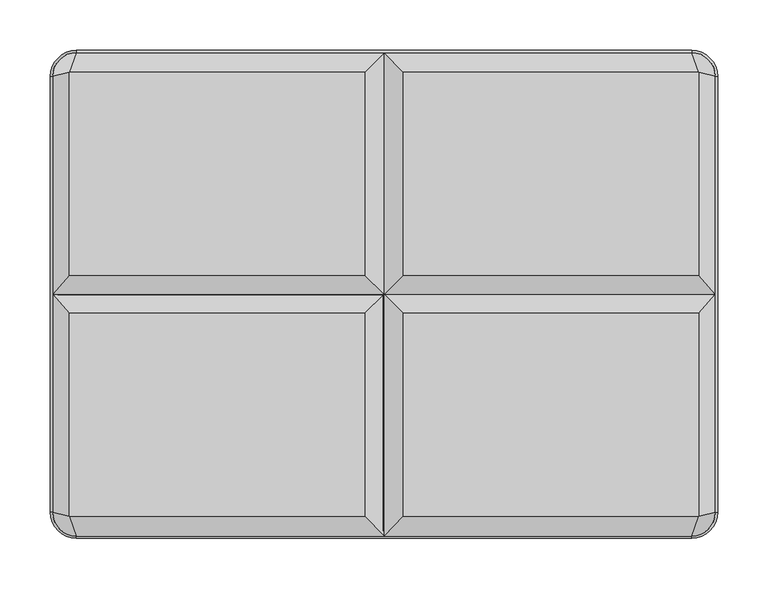
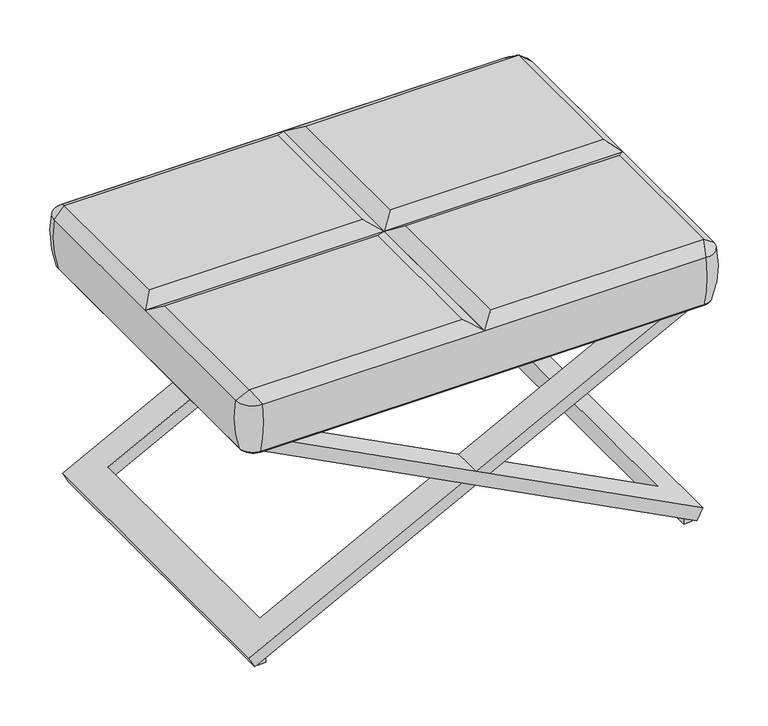
"""IFC4 building model written with IfcOpenShell, lengths in millimetres: furniture geometry."""

from ifc_helpers import new_model, si_unit, point, frame, frame_2d, origin, origin_with_axes, place, context, project, spatial, polyline, circle_curve, ellipse_curve, trimmed, segment, composite_curve, outline, extrude, source, transform, mapped, element, save
from ifc_brep_helpers import plane_surface, cylinder_surface, revolved_surface, spline_surface, advanced_brep


def furniture_a0ac0da4(model_context):
    return source(origin(), model_context, "Body", "SolidModel", [
        extrude(outline(polyline([(-287.131461, -174.2889794), (-287.1317089, -215.8976508), (-298.2729752, -215.8975844), (-298.2727274, -174.2889131), (-287.131461, -174.2889794)])), origin_with_axes(), (0.0, 0.0, 1.0), 7.7247),
        extrude(outline(polyline([(-287.1291003, 222.0715584), (-287.1293486, 180.3885104), (-298.2706149, 180.3885767), (-298.2703667, 222.0716247), (-287.1291003, 222.0715584)])), origin_with_axes(), (0.0, 0.0, 1.0), 7.7247),
        advanced_brep(
        [(311.9583058, 18.8416801, 407.5367087), (311.9583058, 219.9661013, 407.5367087), (19.3028484, 219.9661013, 407.5367087), (19.3028484, 18.8416801, 407.5367087), (328.2941752, 0.0, 395.2066956), (0.0, 0.0, 395.2066956), (0.0, 239.4837856, 395.2066956), (304.8, 239.4837856, 395.2066956), (328.2941752, 215.9896104, 395.2066956)],
        [
            (0, 1),
            (1, 2),
            (2, 3),
            (3, 0),
            (4, 5),
            (5, 6),
            (6, 7),
            (7, 8, circle_curve(frame((304.8, 215.9896104, 395.2066956), z_axis=(0.0, 0.0, -1.0), x_axis=(1.0, 0.0, 0.0)), 23.4941752)),
            (8, 4),
            (8, 1),
            (0, 4),
            (7, 1),
            (6, 2),
            (5, 3),
        ],
        [
            plane_surface(frame((165.6305771, 119.4038907, 407.5367087), z_axis=(0.0, 0.0, 1.0), x_axis=(1.0, 0.0, 0.0))),
            plane_surface(frame((192.2776701, 138.9914363, 395.2066956), z_axis=(0.0, 0.0, -1.0), x_axis=(1.0, 0.0, 0.0))),
            plane_surface(frame((328.2941752, 107.9948052, 395.2066956), z_axis=(0.6024397465176359, 0.0, 0.7981643639099447), x_axis=(0.0, 1.0, 0.0))),
            spline_surface(2, 1, [[(328.2941752, 215.9896104, 395.2066956), (311.9583058, 219.9661013, 407.5367087)], [(328.2941751999999, 239.48378559999998, 395.2066956), (311.9583058, 219.9661013, 407.5367087)], [(304.8, 239.4837856, 395.2066956), (311.9583058, 219.9661013, 407.5367087)]], [3, 3], [2, 2], [0.0, 1.0], [0.0, 1.0], weights=[[1.0, 1.0], [0.707106781186548, 0.707106781186548], [1.0, 1.0]]),
            plane_surface(frame((152.4, 239.4837856, 395.2066956), z_axis=(0.0, 0.5340875705813108, 0.8454291614029844), x_axis=(-1.0, 0.0, 0.0))),
            plane_surface(frame((0.0, 119.7418928, 395.2066956), z_axis=(-0.5383160337471534, 0.0, 0.8427430496958925), x_axis=(0.0, -1.0, 0.0))),
            plane_surface(frame((164.1470876, 0.0, 395.2066956), z_axis=(0.0, -0.5475745130213147, 0.8367569256895757), x_axis=(1.0, 0.0, 0.0))),
        ],
        [
            (0, [[1, 2, 3, 4]]),
            (1, [[5, 6, 7, 8, 9]]),
            (2, [[-9, 10, -1, 11]]),
            (3, [[-8, 12, -10]]),
            (4, [[-7, 13, -2, -12]]),
            (5, [[-6, 14, -3, -13]]),
            (6, [[-5, -11, -4, -14]]),
        ],
    ),
        advanced_brep(
        [(311.9583058, -18.8416801, 407.5367087), (19.3028484, -18.8416801, 407.5367087), (19.3028484, -219.9661013, 407.5367087), (311.9583058, -219.9661013, 407.5367087), (328.2941752, 0.0, 395.2066956), (328.2941752, -215.9, 395.2066956), (304.8, -239.3941752, 395.2066956), (0.0, -239.3941752, 395.2066956), (0.0, 0.0, 395.2066956)],
        [
            (0, 1),
            (1, 2),
            (2, 3),
            (3, 0),
            (4, 5),
            (5, 6, circle_curve(frame((304.8, -215.9, 395.2066956), z_axis=(0.0, 0.0, -1.0), x_axis=(1.0, 0.0, 0.0)), 23.4941752)),
            (6, 7),
            (7, 8),
            (8, 4),
            (4, 0),
            (3, 5),
            (3, 6),
            (2, 7),
            (1, 8),
        ],
        [
            plane_surface(frame((165.6305771, -119.4038907, 407.5367087), z_axis=(0.0, 0.0, 1.0), x_axis=(0.0, -1.0, 0.0))),
            plane_surface(frame((192.2776701, -138.9376701, 395.2066956), z_axis=(0.0, 0.0, -1.0), x_axis=(0.0, -1.0, 0.0))),
            plane_surface(frame((328.2941752, -107.95, 395.2066956), z_axis=(0.602439746517636, 0.0, 0.7981643639099447), x_axis=(0.0, 1.0, 0.0))),
            spline_surface(2, 1, [[(304.8, -239.3941752, 395.2066956), (311.9583058, -219.9661013, 407.5367087)], [(328.29417520000004, -239.39417520000003, 395.2066956), (311.9583058, -219.9661013, 407.5367087)], [(328.2941752, -215.9, 395.2066956), (311.9583058, -219.9661013, 407.5367087)]], [3, 3], [2, 2], [0.0, 1.0], [0.0, 1.0], weights=[[1.0, 1.0], [0.7071067811865471, 0.7071067811865471], [1.0, 1.0]]),
            plane_surface(frame((152.4, -239.3941752, 395.2066956), z_axis=(0.0, -0.5358448397378602, 0.8443164736793349), x_axis=(1.0, 0.0, 0.0))),
            plane_surface(frame((0.0, -119.6970876, 395.2066956), z_axis=(-0.5383160337471535, 0.0, 0.8427430496958925), x_axis=(0.0, -1.0, 0.0))),
            plane_surface(frame((164.1470876, 0.0, 395.2066956), z_axis=(0.0, 0.5475745130213147, 0.8367569256895757), x_axis=(-1.0, 0.0, 0.0))),
        ],
        [
            (0, [[1, 2, 3, 4]]),
            (1, [[5, 6, 7, 8, 9]]),
            (2, [[-5, 10, -4, 11]]),
            (3, [[-6, -11, 12]]),
            (4, [[-7, -12, -3, 13]]),
            (5, [[-8, -13, -2, 14]]),
            (6, [[-9, -14, -1, -10]]),
        ],
    ),
        advanced_brep(
        [(-311.9583058, 18.8416801, 407.5367087), (-19.3028484, 18.8416801, 407.5367087), (-19.3028484, 219.9661013, 407.5367087), (-311.9583058, 219.9661013, 407.5367087), (-328.2941752, 0.0, 395.2066956), (-328.2941752, 215.9896104, 395.2066956), (-304.8, 239.4837856, 395.2066956), (0.0, 239.4837856, 395.2066956), (0.0, 0.0, 395.2066956)],
        [
            (0, 1),
            (1, 2),
            (2, 3),
            (3, 0),
            (4, 5),
            (5, 6, circle_curve(frame((-304.8, 215.9896104, 395.2066956), z_axis=(0.0, 0.0, -1.0), x_axis=(-1.0, 0.0, 0.0)), 23.4941752)),
            (6, 7),
            (7, 8),
            (8, 4),
            (4, 0),
            (3, 5),
            (3, 6),
            (2, 7),
            (1, 8),
        ],
        [
            plane_surface(frame((-165.6305771, 119.4038907, 407.5367087), z_axis=(0.0, 0.0, 1.0), x_axis=(0.0, 1.0, 0.0))),
            plane_surface(frame((-192.2776701, 138.9914363, 395.2066956), z_axis=(0.0, 0.0, -1.0), x_axis=(0.0, 1.0, 0.0))),
            plane_surface(frame((-328.2941752, 107.9948052, 395.2066956), z_axis=(-0.6024397465176181, 0.0, 0.7981643639099583), x_axis=(0.0, -1.0, 0.0))),
            spline_surface(2, 1, [[(-304.8, 239.4837856, 395.2066956), (-311.9583058, 219.9661013, 407.5367087)], [(-328.29417520000004, 239.48378560000003, 395.2066956), (-311.9583058, 219.9661013, 407.5367087)], [(-328.2941752, 215.9896104, 395.2066956), (-311.9583058, 219.9661013, 407.5367087)]], [3, 3], [2, 2], [0.0, 1.0], [0.0, 1.0], weights=[[1.0, 1.0], [0.7071067811865471, 0.7071067811865471], [1.0, 1.0]]),
            plane_surface(frame((-152.4, 239.4837856, 395.2066956), z_axis=(0.0, 0.5340875705813121, 0.8454291614029836), x_axis=(-1.0, 0.0, 0.0))),
            plane_surface(frame((0.0, 119.7418928, 395.2066956), z_axis=(0.5383160337471717, 0.0, 0.8427430496958809), x_axis=(0.0, 1.0, 0.0))),
            plane_surface(frame((-164.1470876, 0.0, 395.2066956), z_axis=(0.0, -0.5475745130213134, 0.8367569256895766), x_axis=(1.0, 0.0, 0.0))),
        ],
        [
            (0, [[1, 2, 3, 4]]),
            (1, [[5, 6, 7, 8, 9]]),
            (2, [[-5, 10, -4, 11]]),
            (3, [[-6, -11, 12]]),
            (4, [[-7, -12, -3, 13]]),
            (5, [[-8, -13, -2, 14]]),
            (6, [[-9, -14, -1, -10]]),
        ],
    ),
        extrude(outline(composite_curve([segment(polyline([(-304.8, 234.1068246), (304.8, 234.1068246)]), True, "CONTINUOUS"), segment(trimmed(circle_curve(frame_2d((304.8, 215.9896104)), 18.1172142), [point((304.8, 234.1068246))], [point((322.9172142, 215.9896104))], False, "CARTESIAN"), True, "CONTINUOUS"), segment(polyline([(322.9172142, 215.9896104), (322.9172142, -215.9)]), True, "CONTINUOUS"), segment(trimmed(circle_curve(frame_2d((304.8, -215.9)), 18.1172142), [point((322.9172142, -215.9))], [point((304.8, -234.0172142))], False, "CARTESIAN"), True, "CONTINUOUS"), segment(polyline([(304.8, -234.0172142), (-304.8, -234.0172142)]), True, "CONTINUOUS"), segment(trimmed(circle_curve(frame_2d((-304.8, -215.9)), 18.1172142), [point((-304.8, -234.0172142))], [point((-322.9172142, -215.9))], False, "CARTESIAN"), True, "CONTINUOUS"), segment(polyline([(-322.9172142, -215.9), (-322.9172142, 215.9896104)]), True, "CONTINUOUS"), segment(trimmed(circle_curve(frame_2d((-304.8, 215.9896104)), 18.1172142), [point((-322.9172142, 215.9896104))], [point((-304.8, 234.1068246))], False, "CARTESIAN"), True, "CONTINUOUS")], self_intersect=False)), frame((0.0, 0.0, 322.8652854), z_axis=(0.0, 0.0, 1.0), x_axis=(1.0, 0.0, 0.0)), (0.0, 0.0, 1.0), 72.3414102),
        extrude(outline(polyline([(-40.855101, -1e-07), (0.0, 0.0), (0.0, -654.7424662), (361.0531067, -654.7424662), (361.0531067, -0.0553014), (401.9082075, -0.0553014), (401.9082075, -697.8978728), (-40.855101, -697.8978728), (-40.855101, -1e-07)])), frame((-315.5640516, -177.4389789, 322.8726735), z_axis=(0.46174861322686334, 5.956068016368192e-06, 0.8870108331624784), x_axis=(-2.7502061487590705e-06, 0.9999999999822627, -5.283096852692739e-06)), (0.0, 0.0, 1.0), 17.5758983),
        extrude(outline(polyline([(287.1317089, -215.8976508), (287.131461, -174.2889794), (298.2727274, -174.2889131), (298.2729752, -215.8975844), (287.1317089, -215.8976508)])), origin_with_axes(), (0.0, 0.0, 1.0), 7.7247),
        extrude(outline(polyline([(287.1293486, 180.3885104), (287.1291003, 222.0715584), (298.2703667, 222.0716247), (298.2706149, 180.3885767), (287.1293486, 180.3885104)])), origin_with_axes(), (0.0, 0.0, 1.0), 7.7247),
        extrude(outline(polyline([(-248.9921224, 0.0), (449.6096669, 0.0), (449.6096669, -442.7633085), (-248.8092809, -442.7633085), (-248.8092809, -401.9082077), (406.4542603, -401.9082077), (406.4542603, -40.855101), (-248.9921225, -40.855101), (-248.9921224, 0.0)])), frame((95.3296108, -218.2940799, 208.2261546), z_axis=(-0.4617486132268388, 5.956068016368191e-06, 0.8870108331624911), x_axis=(-0.8870108331782243, 0.0, -0.461748613235029)), (0.0, 0.0, 1.0), 17.5758983),
        advanced_brep(
        [(-311.9583058, -18.8416801, 407.5367087), (-311.9583058, -219.9661013, 407.5367087), (-19.3028484, -219.9661013, 407.5367087), (-19.3028484, -18.8416801, 407.5367087), (-328.2941752, 0.0, 395.2066956), (0.0, 0.0, 395.2066956), (0.0, -239.3941752, 395.2066956), (-304.8, -239.3941752, 395.2066956), (-328.2941752, -215.9, 395.2066956)],
        [
            (0, 1),
            (1, 2),
            (2, 3),
            (3, 0),
            (4, 5),
            (5, 6),
            (6, 7),
            (7, 8, circle_curve(frame((-304.8, -215.9, 395.2066956), z_axis=(0.0, 0.0, -1.0), x_axis=(-1.0, 0.0, 0.0)), 23.4941752)),
            (8, 4),
            (8, 1),
            (0, 4),
            (7, 1),
            (6, 2),
            (5, 3),
        ],
        [
            plane_surface(frame((-165.6305771, -119.4038907, 407.5367087), z_axis=(0.0, 0.0, 1.0), x_axis=(-1.0, 0.0, 0.0))),
            plane_surface(frame((-192.2776701, -138.9376701, 395.2066956), z_axis=(0.0, 0.0, -1.0), x_axis=(-1.0, 0.0, 0.0))),
            plane_surface(frame((-328.2941752, -107.95, 395.2066956), z_axis=(-0.6024397465176181, 0.0, 0.7981643639099583), x_axis=(0.0, -1.0, 0.0))),
            spline_surface(2, 1, [[(-328.2941752, -215.9, 395.2066956), (-311.9583058, -219.9661013, 407.5367087)], [(-328.2941751999999, -239.39417519999998, 395.2066956), (-311.9583058, -219.9661013, 407.5367087)], [(-304.8, -239.3941752, 395.2066956), (-311.9583058, -219.9661013, 407.5367087)]], [3, 3], [2, 2], [0.0, 1.0], [0.0, 1.0], weights=[[1.0, 1.0], [0.707106781186548, 0.707106781186548], [1.0, 1.0]]),
            plane_surface(frame((-152.4, -239.3941752, 395.2066956), z_axis=(0.0, -0.5358448397378615, 0.8443164736793342), x_axis=(1.0, 0.0, 0.0))),
            plane_surface(frame((0.0, -119.6970876, 395.2066956), z_axis=(0.5383160337471717, 0.0, 0.8427430496958809), x_axis=(0.0, 1.0, 0.0))),
            plane_surface(frame((-164.1470876, 0.0, 395.2066956), z_axis=(0.0, 0.5475745130213134, 0.8367569256895765), x_axis=(-1.0, 0.0, 0.0))),
        ],
        [
            (0, [[1, 2, 3, 4]]),
            (1, [[5, 6, 7, 8, 9]]),
            (2, [[-9, 10, -1, 11]]),
            (3, [[-8, 12, -10]]),
            (4, [[-7, 13, -2, -12]]),
            (5, [[-6, 14, -3, -13]]),
            (6, [[-5, -11, -4, -14]]),
        ],
    ),
        advanced_brep(
        [(-304.8, 234.1840261, 322.8652854), (-322.9944157, 215.9896104, 322.8652854), (-328.2941752, 215.9896104, 395.2066956), (-304.8, 239.4837856, 395.2066956), (-304.8, 234.1068246, 395.2066956), (-322.9172142, 215.9896104, 395.2066956), (304.8, 239.4837856, 395.2066956), (304.8, 234.1840261, 322.8652854), (304.8, 234.1068246, 395.2066956), (322.9944157, 215.9896104, 322.8652854), (328.2941752, 215.9896104, 395.2066956), (322.9172142, 215.9896104, 395.2066956), (328.2941752, -215.9, 395.2066956), (322.9944157, -215.9, 322.8652854), (322.9172142, -215.9, 395.2066956), (304.8, -234.0944157, 322.8652854), (304.8, -239.3941752, 395.2066956), (304.8, -234.0172142, 395.2066956), (-304.8, -239.3941752, 395.2066956), (-304.8, -234.0944157, 322.8652854), (-304.8, -234.0172142, 395.2066956), (-322.9944157, -215.9, 322.8652854), (-328.2941752, -215.9, 395.2066956), (-322.9172142, -215.9, 395.2066956)],
        [
            (0, 1, circle_curve(frame((-304.8, 215.9896104, 322.8652854), z_axis=(0.0, 0.0, 1.0), x_axis=(-1.0, 0.0, 0.0)), 18.1944157)),
            (1, 2, circle_curve(frame((-176.1105149, 215.9896104, 369.9908927), z_axis=(0.0, 1.0, 0.0), x_axis=(-1.0, 0.0, 0.0)), 154.2585595)),
            (2, 3, circle_curve(frame((-304.8, 215.9896104, 395.2066956), z_axis=(0.0, 0.0, -1.0), x_axis=(-1.0, 0.0, 0.0)), 23.4941752)),
            (3, 0, circle_curve(frame((-304.8, 87.3001253, 369.9908927), z_axis=(-1.0, 0.0, 0.0), x_axis=(0.0, 1.0, 0.0)), 154.2585595)),
            (4, 5, circle_curve(frame((-304.8, 215.9896104, 395.2066956), z_axis=(0.0, 0.0, 1.0), x_axis=(-1.0, 0.0, 0.0)), 18.1172142)),
            (5, 1),
            (0, 4),
            (3, 6),
            (6, 7, circle_curve(frame((304.8, 87.3001253, 369.9908927), z_axis=(-1.0, 0.0, 0.0), x_axis=(0.0, 1.0, 0.0)), 154.2585595)),
            (7, 0),
            (7, 8),
            (8, 4),
            (9, 7, circle_curve(frame((304.8, 215.9896104, 322.8652854), z_axis=(0.0, 0.0, 1.0), x_axis=(0.0, 1.0, 0.0)), 18.1944157)),
            (6, 10, circle_curve(frame((304.8, 215.9896104, 395.2066956), z_axis=(0.0, 0.0, -1.0), x_axis=(0.0, 1.0, 0.0)), 23.4941752)),
            (10, 9, circle_curve(frame((176.1105149, 215.9896104, 369.9908927), z_axis=(0.0, 1.0, 0.0), x_axis=(1.0, 0.0, 0.0)), 154.2585595)),
            (11, 8, circle_curve(frame((304.8, 215.9896104, 395.2066956), z_axis=(0.0, 0.0, 1.0), x_axis=(0.0, 1.0, 0.0)), 18.1172142)),
            (9, 11),
            (10, 12),
            (12, 13, circle_curve(frame((176.1105149, -215.9, 369.9908927), z_axis=(0.0, 1.0, 0.0), x_axis=(1.0, 0.0, 0.0)), 154.2585595)),
            (13, 9),
            (13, 14),
            (14, 11),
            (15, 13, circle_curve(frame((304.8, -215.9, 322.8652854), z_axis=(0.0, 0.0, 1.0), x_axis=(1.0, 0.0, 0.0)), 18.1944157)),
            (12, 16, circle_curve(frame((304.8, -215.9, 395.2066956), z_axis=(0.0, 0.0, -1.0), x_axis=(1.0, 0.0, 0.0)), 23.4941752)),
            (16, 15, circle_curve(frame((304.8, -87.2105149, 369.9908927), z_axis=(1.0, 0.0, 0.0), x_axis=(0.0, -1.0, 0.0)), 154.2585595)),
            (17, 14, circle_curve(frame((304.8, -215.9, 395.2066956), z_axis=(0.0, 0.0, 1.0), x_axis=(1.0, 0.0, 0.0)), 18.1172142)),
            (15, 17),
            (16, 18),
            (18, 19, circle_curve(frame((-304.8, -87.2105149, 369.9908927), z_axis=(1.0, 0.0, 0.0), x_axis=(0.0, -1.0, 0.0)), 154.2585595)),
            (19, 15),
            (19, 20),
            (20, 17),
            (21, 19, circle_curve(frame((-304.8, -215.9, 322.8652854), z_axis=(0.0, 0.0, 1.0), x_axis=(0.0, -1.0, 0.0)), 18.1944157)),
            (18, 22, circle_curve(frame((-304.8, -215.9, 395.2066956), z_axis=(0.0, 0.0, -1.0), x_axis=(0.0, -1.0, 0.0)), 23.4941752)),
            (22, 21, circle_curve(frame((-176.1105149, -215.9, 369.9908927), z_axis=(0.0, -1.0, 0.0), x_axis=(-1.0, 0.0, 0.0)), 154.2585595)),
            (23, 20, circle_curve(frame((-304.8, -215.9, 395.2066956), z_axis=(0.0, 0.0, 1.0), x_axis=(0.0, -1.0, 0.0)), 18.1172142)),
            (21, 23),
            (22, 2),
            (1, 21),
            (5, 23),
        ],
        [
            revolved_surface(trimmed(ellipse_curve(frame((-176.1105149, 215.9896104, 369.9908927), z_axis=(0.0, -1.0, 0.0), x_axis=(-1.0, 0.0, 0.0)), 154.2585595, 154.2585595), [point((-328.2941752, 215.9896104, 395.2066956))], [point((-322.9944157, 215.9896104, 322.8652854))], True, "CARTESIAN"), (-304.8, 215.9896104, 322.8652854), (0.0, 0.0, -1.0)),
            revolved_surface(polyline([(-322.9172142, 215.9896104, 322.8652854), (-322.9172142, 215.9896104, 395.2066956)]), (-304.8, 215.9896104, 322.8652854), (0.0, 0.0, -1.0)),
            cylinder_surface(frame((-304.8, 87.3001253, 369.9908927), z_axis=(-1.0, 0.0, 0.0), x_axis=(0.0, 1.0, 0.0)), 154.2585595),
            plane_surface(frame((-304.8, 234.1068246, 322.8652854), z_axis=(0.0, -1.0, 0.0), x_axis=(1.0, 0.0, 0.0))),
            revolved_surface(trimmed(ellipse_curve(frame((304.8, 87.3001253, 369.9908927), z_axis=(-1.0, 0.0, 0.0), x_axis=(0.0, 1.0, 0.0)), 154.2585595, 154.2585595), [point((304.8, 239.4837856, 395.2066956))], [point((304.8, 234.1840261, 322.8652854))], True, "CARTESIAN"), (304.8, 215.9896104, 322.8652854), (0.0, 0.0, -1.0)),
            revolved_surface(polyline([(304.8, 234.1068246, 322.8652854), (304.8, 234.1068246, 395.2066956)]), (304.8, 215.9896104, 322.8652854), (0.0, 0.0, -1.0)),
            cylinder_surface(frame((176.1105149, 215.9896104, 369.9908927), z_axis=(0.0, 1.0, 0.0), x_axis=(1.0, 0.0, 0.0)), 154.2585595),
            plane_surface(frame((322.9172142, 215.9896104, 322.8652854), z_axis=(-1.0, 0.0, 0.0), x_axis=(0.0, -1.0, 0.0))),
            revolved_surface(trimmed(ellipse_curve(frame((176.1105149, -215.9, 369.9908927), z_axis=(0.0, 1.0, 0.0), x_axis=(1.0, 0.0, 0.0)), 154.2585595, 154.2585595), [point((328.2941752, -215.9, 395.2066956))], [point((322.9944157, -215.9, 322.8652854))], True, "CARTESIAN"), (304.8, -215.9, 322.8652854), (0.0, 0.0, -1.0)),
            revolved_surface(polyline([(322.9172142, -215.9, 322.8652854), (322.9172142, -215.9, 395.2066956)]), (304.8, -215.9, 322.8652854), (0.0, 0.0, -1.0)),
            cylinder_surface(frame((304.8, -87.2105149, 369.9908927), z_axis=(1.0, 0.0, 0.0), x_axis=(0.0, -1.0, 0.0)), 154.2585595),
            plane_surface(frame((304.8, -234.0172142, 322.8652854), z_axis=(0.0, 1.0, 0.0), x_axis=(-1.0, 0.0, 0.0))),
            revolved_surface(trimmed(ellipse_curve(frame((-304.8, -87.2105149, 369.9908927), z_axis=(1.0, 0.0, 0.0), x_axis=(0.0, -1.0, 0.0)), 154.2585595, 154.2585595), [point((-304.8, -239.3941752, 395.2066956))], [point((-304.8, -234.0944157, 322.8652854))], True, "CARTESIAN"), (-304.8, -215.9, 322.8652854), (0.0, 0.0, -1.0)),
            revolved_surface(polyline([(-304.8, -234.0172142, 322.8652854), (-304.8, -234.0172142, 395.2066956)]), (-304.8, -215.9, 322.8652854), (0.0, 0.0, -1.0)),
            cylinder_surface(frame((-176.1105149, -215.9, 369.9908927), z_axis=(0.0, -1.0, 0.0), x_axis=(-1.0, 0.0, 0.0)), 154.2585595),
            plane_surface(frame((-322.9172142, -215.9, 322.8652854), z_axis=(1.0, 0.0, 0.0), x_axis=(0.0, 1.0, 0.0))),
            plane_surface(frame((-322.9172142, -215.9, 395.2066956), z_axis=(0.0, 0.0, 1.0), x_axis=(0.0, 1.0, 0.0))),
        ],
        [
            (0, [[1, 2, 3, 4]]),
            (1, [[5, 6, -1, 7]]),
            (2, [[-4, 8, 9, 10]]),
            (3, [[-7, -10, 11, 12]]),
            (4, [[13, -9, 14, 15]]),
            (5, [[16, -11, -13, 17]]),
            (6, [[-15, 18, 19, 20]]),
            (7, [[-17, -20, 21, 22]]),
            (8, [[23, -19, 24, 25]]),
            (9, [[26, -21, -23, 27]]),
            (10, [[-25, 28, 29, 30]]),
            (11, [[-27, -30, 31, 32]]),
            (12, [[33, -29, 34, 35]]),
            (13, [[36, -31, -33, 37]]),
            (14, [[-35, 38, -2, 39]]),
            (15, [[-37, -39, -6, 40]]),
            (16, [[-38, -34, -28, -24, -18, -14, -8, -3], [-32, -36, -40, -5, -12, -16, -22, -26]]),
        ],
    ),
    ])


if __name__ == "__main__":
    model = new_model("IFC4")
    model_context = context("Model", 3, world=origin())
    ifc_project = project(units=[si_unit("LENGTHUNIT", "METRE", prefix="MILLI")], contexts=[model_context])
    site = spatial("IfcSite", under=ifc_project)
    building = spatial("IfcBuilding", under=site)
    placement = place(None, origin())
    furniture_shape = furniture_a0ac0da4(model_context)
    element("IfcFurniture", 1, at=placement, inside=building, context=model_context, shape_type="MappedRepresentation", body=[
        mapped(furniture_shape, transform((0.0, 0.0, 0.0), x_axis=(1.0, 0.0, 0.0), y_axis=(0.0, 1.0, 0.0), z_axis=(0.0, 0.0, 1.0))),
    ])
    save(model, "model.ifc")
